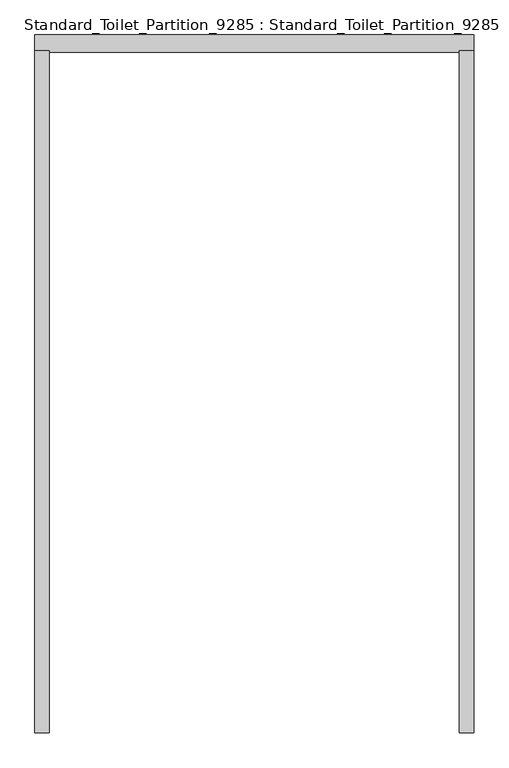
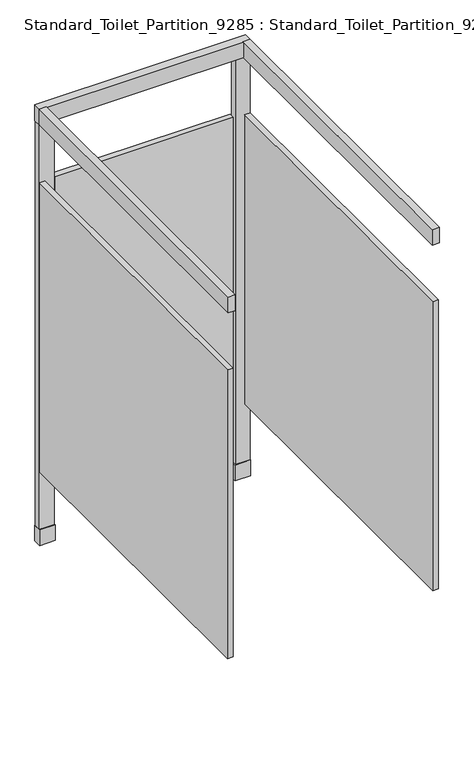
"""IFC4 building model written with IfcOpenShell, lengths in millimetres: proxy geometry, Standard_Toilet_Partition_9285 : Standard_Toilet_Partition_9285."""

from ifc_helpers import new_model, si_unit, frame, origin, origin_with_axes, place, context, project, spatial, polyline, outline, extrude, source, transform, mapped, element, save


def standard_toilet_partition_9285_standard_toilet_partition_eadf73b7(model_context):
    return source(origin(), model_context, "Body", "SweptSolid", [
        extrude(outline(polyline([(952.5, 1562.1), (952.5, 63.5), (920.75, 63.5), (920.75, 1562.1), (952.5, 1562.1)])), frame((0.0, 0.0, 2032.0), z_axis=(0.0, 0.0, 1.0), x_axis=(1.0, 0.0, 0.0)), (0.0, 0.0, 1.0), 76.2),
        extrude(outline(polyline([(19.05, 1562.1), (19.05, 63.5), (-12.7, 63.5), (-12.7, 1562.1), (19.05, 1562.1)])), frame((0.0, 0.0, 2032.0), z_axis=(0.0, 0.0, 1.0), x_axis=(1.0, 0.0, 0.0)), (0.0, 0.0, 1.0), 76.2),
        extrude(outline(polyline([(952.5, 1593.85), (952.5, 1562.1), (884.895064, 1562.1), (884.895064, 1593.85), (952.5, 1593.85)])), frame((0.0, 0.0, 76.2), z_axis=(0.0, 0.0, 1.0), x_axis=(1.0, 0.0, 0.0)), (0.0, 0.0, 1.0), 1955.8),
        extrude(outline(polyline([(952.5, 1597.025), (952.5, 1558.925), (-12.7, 1558.925), (-12.7, 1597.025), (952.5, 1597.025)])), frame((0.0, 0.0, 2032.0), z_axis=(0.0, 0.0, 1.0), x_axis=(1.0, 0.0, 0.0)), (0.0, 0.0, 1.0), 76.2),
        extrude(outline(polyline([(54.904936, 1593.85), (54.904936, 1562.1), (-12.7, 1562.1), (-12.7, 1593.85), (54.904936, 1593.85)])), frame((0.0, 0.0, 76.2), z_axis=(0.0, 0.0, 1.0), x_axis=(1.0, 0.0, 0.0)), (0.0, 0.0, 1.0), 1955.8),
        extrude(outline(polyline([(952.5, 1562.1), (952.5, 69.85), (927.1, 69.85), (927.1, 1562.1), (952.5, 1562.1)])), frame((0.0, 0.0, 355.6), z_axis=(0.0, 0.0, 1.0), x_axis=(1.0, 0.0, 0.0)), (0.0, 0.0, 1.0), 1397.0),
        extrude(outline(polyline([(12.7, 1562.1), (12.7, 69.85), (-12.7, 69.85), (-12.7, 1562.1), (12.7, 1562.1)])), frame((0.0, 0.0, 355.6), z_axis=(0.0, 0.0, 1.0), x_axis=(1.0, 0.0, 0.0)), (0.0, 0.0, 1.0), 1397.0),
        extrude(outline(polyline([(878.545064, 1593.85), (878.545064, 1568.45), (61.254936, 1568.45), (61.254936, 1593.85), (878.545064, 1593.85)])), frame((0.0, 0.0, 355.6), z_axis=(0.0, 0.0, 1.0), x_axis=(1.0, 0.0, 0.0)), (0.0, 0.0, 1.0), 1397.0),
        extrude(outline(polyline([(952.5, 1597.025), (952.5, 1558.925), (881.720064, 1558.925), (881.720064, 1597.025), (952.5, 1597.025)])), origin_with_axes(), (0.0, 0.0, 1.0), 76.2),
        extrude(outline(polyline([(58.079936, 1597.025), (58.079936, 1558.925), (-12.7, 1558.925), (-12.7, 1597.025), (58.079936, 1597.025)])), origin_with_axes(), (0.0, 0.0, 1.0), 76.2),
    ])


if __name__ == "__main__":
    model = new_model("IFC4")
    model_context = context("Model", 3, world=origin())
    ifc_project = project(units=[si_unit("LENGTHUNIT", "METRE", prefix="MILLI")], contexts=[model_context])
    site = spatial("IfcSite", under=ifc_project)
    building = spatial("IfcBuilding", under=site)
    placement = place(None, origin())
    standard_toilet_partition_9285_standard_toilet_partition_shape = standard_toilet_partition_9285_standard_toilet_partition_eadf73b7(model_context)
    element("IfcBuildingElementProxy", 1, Name="Standard_Toilet_Partition_9285 : Standard_Toilet_Partition_9285", ObjectType="Standard_Toilet_Partition_9285 : Standard_Toilet_Partition_9285", at=placement, inside=building, context=model_context, shape_type="MappedRepresentation", body=[
        mapped(standard_toilet_partition_9285_standard_toilet_partition_shape, transform((0.0, 0.0, 0.0), x_axis=(1.0, 0.0, 0.0), y_axis=(0.0, 1.0, 0.0), z_axis=(0.0, 0.0, 1.0))),
    ])
    save(model, "model.ifc")
